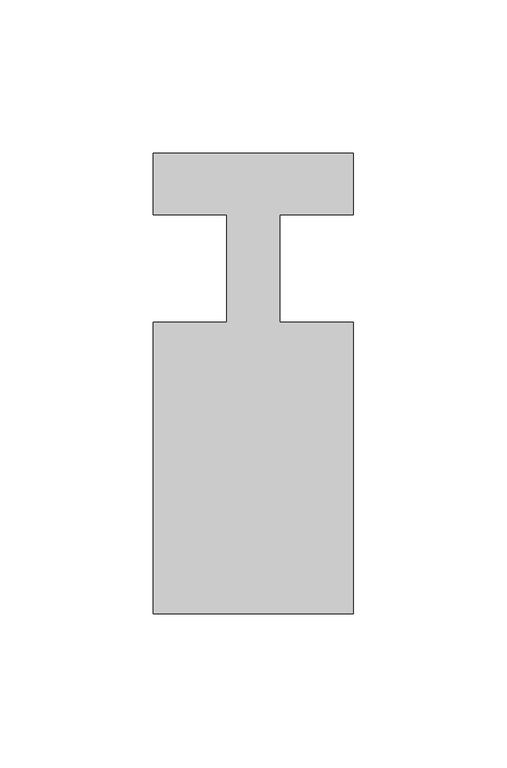
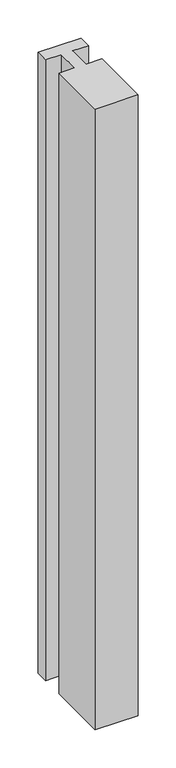
"""IFC4 building model written with IfcOpenShell, lengths in millimetres: member geometry."""

from ifc_helpers import new_model, si_unit, frame, origin, place, context, project, spatial, polyline, outline, extrude, source, transform, mapped, element, save


def member_d8b61711(model_context):
    return source(origin(), model_context, "Body", "SweptSolid", [
        extrude(outline(polyline([(0.0, 37.0), (0.0, 17.0), (-23.8125, 17.0), (-23.8125, -18.0), (0.0, -18.0), (0.0, -113.0), (-65.0, -113.0), (-65.0, -18.0), (-41.1875, -18.0), (-41.1875, 17.0), (-65.0, 17.0), (-65.0, 37.0), (0.0, 37.0)])), frame((0.0, 0.0, -993.5714286), z_axis=(0.0, 0.0, 1.0), x_axis=(1.0, 0.0, 0.0)), (0.0, 0.0, 1.0), 993.5714286),
    ])


if __name__ == "__main__":
    model = new_model("IFC4")
    model_context = context("Model", 3, world=origin())
    ifc_project = project(units=[si_unit("LENGTHUNIT", "METRE", prefix="MILLI")], contexts=[model_context])
    site = spatial("IfcSite", under=ifc_project)
    building = spatial("IfcBuilding", under=site)
    placement = place(None, origin())
    member_shape = member_d8b61711(model_context)
    element("IfcMember", 1, at=placement, inside=building, context=model_context, shape_type="MappedRepresentation", body=[
        mapped(member_shape, transform((0.0, 0.0, 0.0), x_axis=(1.0, 0.0, 0.0), y_axis=(0.0, 1.0, 0.0), z_axis=(0.0, 0.0, 1.0))),
    ])
    save(model, "model.ifc")
